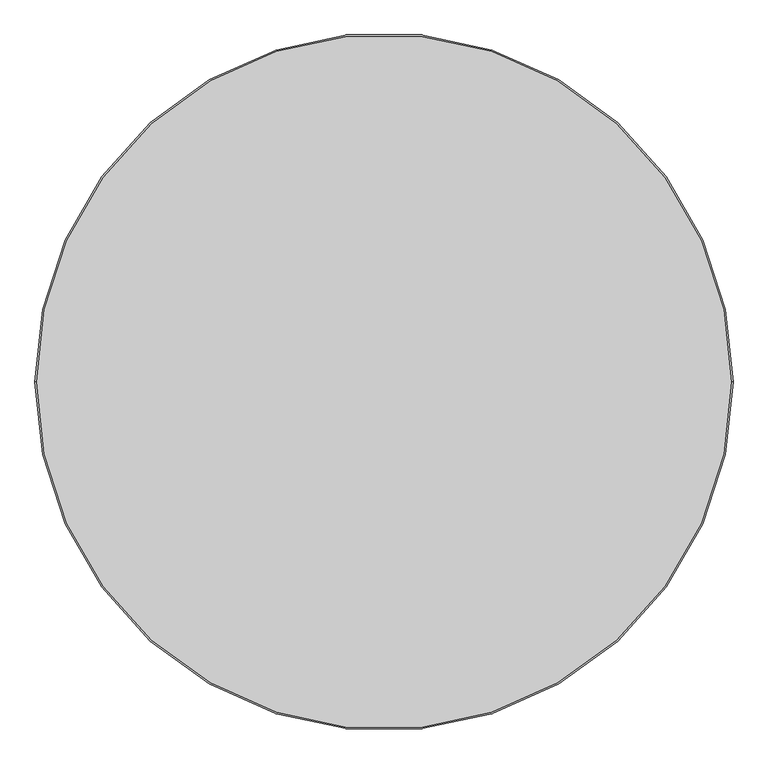
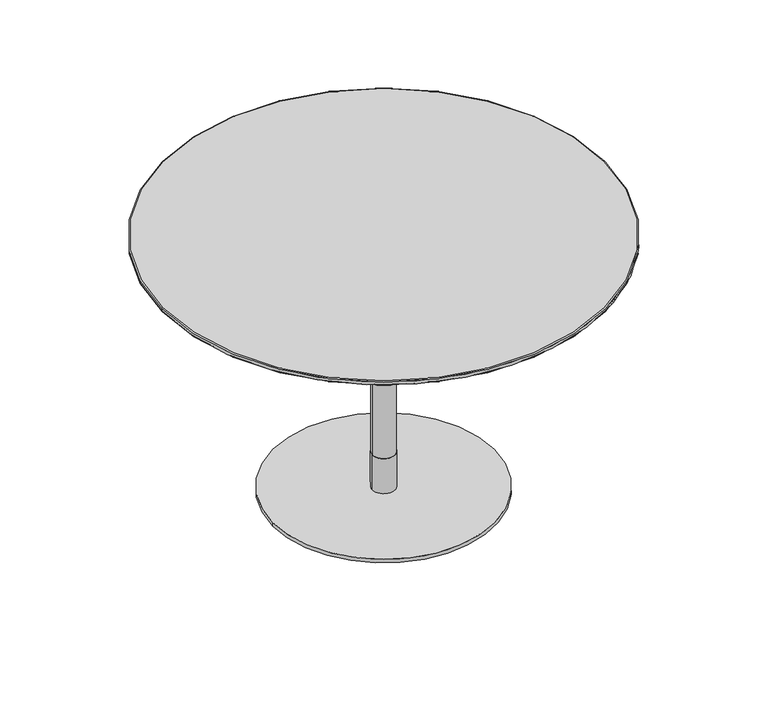
"""IFC4 building model written with IfcOpenShell, lengths in millimetres: furniture geometry."""

from ifc_helpers import new_model, si_unit, point, frame, origin, origin_with_axes, origin_2d, place, context, project, spatial, polyline, circle_curve, ellipse_curve, trimmed, segment, composite_curve, outline, extrude, source, transform, mapped, element, save
from ifc_brep_helpers import plane_surface, cylinder_surface, revolved_surface, advanced_brep


def furniture_0728f568(model_context):
    return source(origin(), model_context, "Body", "SolidModel", [
        advanced_brep(
        [(598.6840403, 0.0, 718.2400004), (600.0, 0.0, 720.1193857), (-600.0, 0.0, 720.1193857), (-598.6840403, 0.0, 718.2400004), (600.0, 0.0, 728.0), (598.0, 0.0, 730.0), (-598.0, 0.0, 730.0), (-600.0, 0.0, 728.0)],
        [
            (0, 1, circle_curve(frame((598.0, 0.0, 720.1193857), z_axis=(0.0, -1.0, 0.0), x_axis=(-1.0, 0.0, 0.0)), 2.0)),
            (1, 2, circle_curve(frame((0.0, 0.0, 720.1193857), z_axis=(0.0, 0.0, -1.0), x_axis=(-1.0, 0.0, 0.0)), 600.0)),
            (2, 3, circle_curve(frame((-598.0, 0.0, 720.1193857), z_axis=(0.0, -1.0, 0.0), x_axis=(1.0, 0.0, 0.0)), 2.0)),
            (3, 0, circle_curve(frame((0.0, 0.0, 718.2400004), z_axis=(0.0, 0.0, 1.0), x_axis=(-1.0, 0.0, 0.0)), 598.6840403)),
            (4, 5, circle_curve(frame((598.0, 0.0, 728.0), z_axis=(0.0, -1.0, 0.0), x_axis=(-1.0, 0.0, 0.0)), 2.0)),
            (5, 6, circle_curve(frame((0.0, 0.0, 730.0), z_axis=(0.0, 0.0, -1.0), x_axis=(-1.0, 0.0, 0.0)), 598.0)),
            (6, 7, circle_curve(frame((-598.0, 0.0, 728.0), z_axis=(0.0, -1.0, 0.0), x_axis=(1.0, 0.0, 0.0)), 2.0)),
            (7, 4, circle_curve(frame((0.0, 0.0, 728.0), z_axis=(0.0, 0.0, 1.0), x_axis=(-1.0, 0.0, 0.0)), 600.0)),
            (0, 3, circle_curve(frame((0.0, 0.0, 718.2400004), z_axis=(0.0, 0.0, 1.0), x_axis=(1.0, 0.0, 0.0)), 598.6840403)),
            (2, 1, circle_curve(frame((0.0, 0.0, 720.1193857), z_axis=(0.0, 0.0, -1.0), x_axis=(1.0, 0.0, 0.0)), 600.0)),
            (4, 7, circle_curve(frame((0.0, 0.0, 728.0), z_axis=(0.0, 0.0, 1.0), x_axis=(1.0, 0.0, 0.0)), 600.0)),
            (6, 5, circle_curve(frame((0.0, 0.0, 730.0), z_axis=(0.0, 0.0, -1.0), x_axis=(1.0, 0.0, 0.0)), 598.0)),
            (7, 2),
            (1, 4),
        ],
        [
            revolved_surface(trimmed(ellipse_curve(frame((-598.0, 0.0, 720.1193857), z_axis=(0.0, 1.0, 0.0), x_axis=(1.0, 0.0, 0.0)), 2.0, 2.0), [point((-598.6840403, 0.0, 718.2400004))], [point((-600.0, 0.0, 720.1193857))], True, "CARTESIAN"), (0.0, 0.0, 0.0), (0.0, 0.0, 1.0)),
            revolved_surface(trimmed(ellipse_curve(frame((-598.0, 0.0, 728.0), z_axis=(0.0, 1.0, 0.0), x_axis=(1.0, 0.0, 0.0)), 2.0, 2.0), [point((-600.0, 0.0, 728.0))], [point((-598.0, 0.0, 730.0))], True, "CARTESIAN"), (0.0, 0.0, 0.0), (0.0, 0.0, 1.0)),
            revolved_surface(trimmed(ellipse_curve(frame((598.0, 0.0, 720.1193857), z_axis=(0.0, -1.0, 0.0), x_axis=(-1.0, 0.0, 0.0)), 2.0, 2.0), [point((598.6840403, 0.0, 718.2400004))], [point((600.0, 0.0, 720.1193857))], True, "CARTESIAN"), (0.0, 0.0, 0.0), (0.0, 0.0, 1.0)),
            revolved_surface(trimmed(ellipse_curve(frame((598.0, 0.0, 728.0), z_axis=(0.0, -1.0, 0.0), x_axis=(-1.0, 0.0, 0.0)), 2.0, 2.0), [point((600.0, 0.0, 728.0))], [point((598.0, 0.0, 730.0))], True, "CARTESIAN"), (0.0, 0.0, 0.0), (0.0, 0.0, 1.0)),
            plane_surface(frame((600.0, 0.0, 730.0), z_axis=(0.0, 0.0, 1.0), x_axis=(0.0, 1.0, 0.0))),
            plane_surface(frame((600.0, 0.0, 718.2400004), z_axis=(0.0, 0.0, -1.0), x_axis=(0.0, -1.0, 0.0))),
            cylinder_surface(frame((0.0, 0.0, 718.2400004), z_axis=(0.0, 0.0, 1.0), x_axis=(1.0, 0.0, 0.0)), 600.0),
        ],
        [
            (0, [[1, 2, 3, 4]]),
            (1, [[5, 6, 7, 8]]),
            (2, [[-1, 9, -3, 10]]),
            (3, [[-5, 11, -7, 12]]),
            (4, [[-6, -12]]),
            (5, [[-4, -9]]),
            (6, [[13, -2, 14, -8]]),
            (6, [[-13, -11, -14, -10]]),
        ],
    ),
        advanced_brep(
        [(-598.7, 0.0, 718.2400004), (598.7, 0.0, 718.2400004), (-550.0, 0.0, 707.7932619), (550.0, 0.0, 707.7932619)],
        [
            (0, 1, circle_curve(frame((0.0, 0.0, 718.2400004), z_axis=(0.0, 0.0, 1.0), x_axis=(-1.0, 0.0, 0.0)), 598.7)),
            (1, 0, circle_curve(frame((0.0, 0.0, 718.2400004), z_axis=(0.0, 0.0, 1.0), x_axis=(1.0, 0.0, 0.0)), 598.7)),
            (2, 3, circle_curve(frame((0.0, 0.0, 707.7932619), z_axis=(0.0, 0.0, -1.0), x_axis=(1.0, 0.0, 0.0)), 550.0)),
            (3, 2, circle_curve(frame((0.0, 0.0, 707.7932619), z_axis=(0.0, 0.0, -1.0), x_axis=(-1.0, 0.0, 0.0)), 550.0)),
            (3, 1),
            (0, 2),
        ],
        [
            plane_surface(frame((0.0, 0.0, 718.2400004), z_axis=(0.0, 0.0, 1.0), x_axis=(0.0, -1.0, 0.0))),
            plane_surface(frame((0.0, 0.0, 707.7932619), z_axis=(0.0, 0.0, -1.0), x_axis=(0.0, -1.0, 0.0))),
            revolved_surface(polyline([(549.9999998847605, 0.0, 707.7932619), (598.7, 0.0, 718.2400004)]), (0.0, 0.0, 589.8116159), (0.0, 0.0, 1.0)),
            revolved_surface(polyline([(-549.9999998847605, 0.0, 707.7932619), (-598.7, 0.0, 718.2400004)]), (0.0, 0.0, 589.8116159), (0.0, 0.0, 1.0)),
        ],
        [
            (0, [[1, 2]]),
            (1, [[3, 4]]),
            (2, [[-4, 5, -1, 6]]),
            (3, [[-3, -6, -2, -5]]),
        ],
    ),
        extrude(outline(polyline([(175.0000945, 174.9403258), (175.0000945, -175.0598632), (-175.0000945, -175.0598632), (-175.0000945, 174.9403258), (175.0000945, 174.9403258)])), frame((0.0, 0.0, 702.7932592), z_axis=(0.0, 0.0, 1.0), x_axis=(1.0, 0.0, 0.0)), (0.0, 0.0, 1.0), 5.0000027),
        extrude(outline(composite_curve([segment(trimmed(circle_curve(origin_2d(), 31.0), [point((-31.0, 0.0))], [point((31.0, 0.0))], False, "CARTESIAN"), True, "CONTINUOUS"), segment(trimmed(circle_curve(origin_2d(), 31.0), [point((31.0, 0.0))], [point((-31.0, 0.0))], False, "CARTESIAN"), True, "CONTINUOUS")], self_intersect=False)), frame((0.0, 0.0, 602.7932663), z_axis=(0.0, 0.0, 1.0), x_axis=(1.0, 0.0, 0.0)), (0.0, 0.0, 1.0), 99.999993),
        extrude(outline(composite_curve([segment(trimmed(circle_curve(origin_2d(), 30.0), [point((-30.0, 0.0))], [point((30.0, 0.0))], False, "CARTESIAN"), True, "CONTINUOUS"), segment(trimmed(circle_curve(origin_2d(), 30.0), [point((30.0, 0.0))], [point((-30.0, 0.0))], False, "CARTESIAN"), True, "CONTINUOUS")], self_intersect=False)), frame((0.0, 0.0, 110.0016526), z_axis=(0.0, 0.0, 1.0), x_axis=(1.0, 0.0, 0.0)), (0.0, 0.0, 1.0), 492.7916137),
        extrude(outline(composite_curve([segment(trimmed(circle_curve(origin_2d(), 31.0), [point((-31.0, 0.0))], [point((31.0, 0.0))], False, "CARTESIAN"), True, "CONTINUOUS"), segment(trimmed(circle_curve(origin_2d(), 31.0), [point((31.0, 0.0))], [point((-31.0, 0.0))], False, "CARTESIAN"), True, "CONTINUOUS")], self_intersect=False)), frame((0.0, 0.0, 10.0000044), z_axis=(0.0, 0.0, 1.0), x_axis=(1.0, 0.0, 0.0)), (0.0, 0.0, 1.0), 100.0016481),
        extrude(outline(composite_curve([segment(trimmed(circle_curve(origin_2d(), 300.0), [point((-300.0, 0.0))], [point((300.0, 0.0))], False, "CARTESIAN"), True, "CONTINUOUS"), segment(trimmed(circle_curve(origin_2d(), 300.0), [point((300.0, 0.0))], [point((-300.0, 0.0))], False, "CARTESIAN"), True, "CONTINUOUS")], self_intersect=False)), origin_with_axes(), (0.0, 0.0, 1.0), 10.0000044),
    ])


if __name__ == "__main__":
    model = new_model("IFC4")
    model_context = context("Model", 3, world=origin())
    ifc_project = project(units=[si_unit("LENGTHUNIT", "METRE", prefix="MILLI")], contexts=[model_context])
    site = spatial("IfcSite", under=ifc_project)
    building = spatial("IfcBuilding", under=site)
    placement = place(None, origin())
    furniture_shape = furniture_0728f568(model_context)
    element("IfcFurniture", 1, at=placement, inside=building, context=model_context, shape_type="MappedRepresentation", body=[
        mapped(furniture_shape, transform((0.0, 0.0, 0.0), x_axis=(1.0, 0.0, 0.0), y_axis=(0.0, 1.0, 0.0), z_axis=(0.0, 0.0, 1.0))),
    ])
    save(model, "model.ifc")
